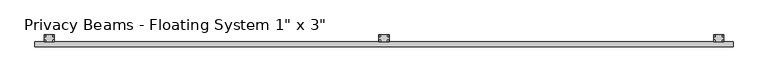
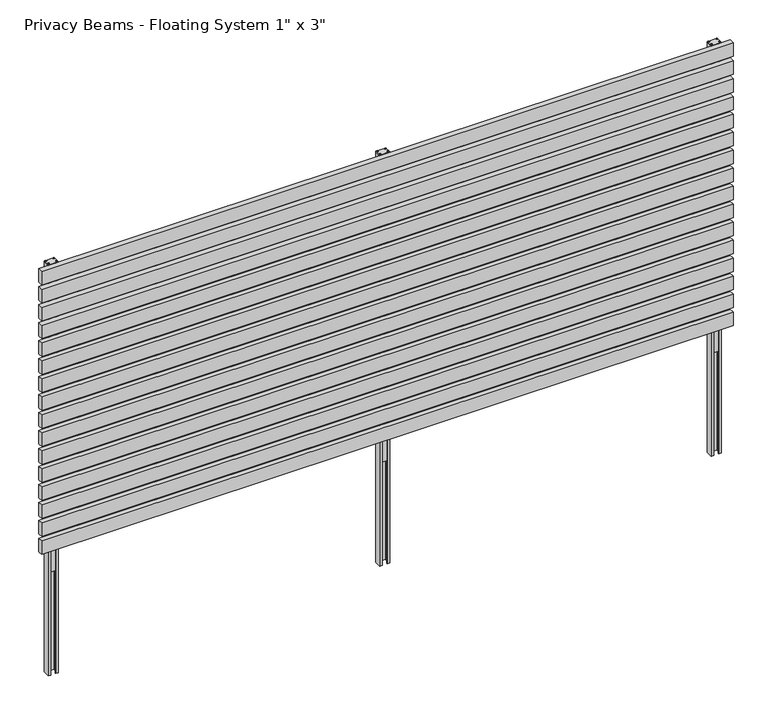
"""IFC4 building model written with IfcOpenShell, lengths in millimetres: railing geometry."""

import ifcopenshell
import ifcopenshell.guid

model = None  # the IFC model being written
_history = None  # IfcOwnerHistory: only IFC2X3 demands one
_inside = {}  # id of a spatial element -> (the spatial element, [elements in it])
_under = {}  # id of a project, library or spatial element -> (it, [spatial elements below it])
_declared = {}  # id of a project -> (the project, [libraries it declares])
_typed = {}  # id of a type object -> (the type object, [elements of that type])
_made_of = {}  # id of a material, layer set ... -> (it, [elements and type objects made of it])


def new_model(schema):
    """Start an empty IFC model of exactly this schema.

    Asked for "IFC4X3", IfcOpenShell would pick the latest addendum, in which some entities
    have other attributes; the version numbers below select the first issue.
    IFC2X3 requires an IfcOwnerHistory on every rooted entity: one is made here for all.
    """
    global model, _history
    if schema == "IFC4X3":
        model = ifcopenshell.file(schema_version=(4, 3, 0, 0))
    else:
        model = ifcopenshell.file(schema=schema)
    _inside.clear()
    _under.clear()
    _declared.clear()
    _typed.clear()
    _made_of.clear()
    _history = None
    if model.schema == "IFC2X3":
        org = make("IfcOrganization", Name="unknown")
        user = make(
            "IfcPersonAndOrganization",
            ThePerson=make("IfcPerson", FamilyName="unknown"),
            TheOrganization=org,
        )
        app = make(
            "IfcApplication",
            ApplicationDeveloper=org,
            Version="unknown",
            ApplicationFullName="unknown",
            ApplicationIdentifier="unknown",
        )
        _history = make(
            "IfcOwnerHistory",
            OwningUser=user,
            OwningApplication=app,
            ChangeAction="ADDED",
            CreationDate=0,
        )
    return model


def make(cls, **values):
    """One entity of the class cls with the attributes given. An attribute that is None is left unset."""
    return model.create_entity(
        cls, **{name: value for name, value in values.items() if value is not None}
    )


def rooted(cls, **values):
    """An entity with a GlobalId (a new one), such as an element, a storey or a relation."""
    return make(cls, GlobalId=ifcopenshell.guid.new(), OwnerHistory=_history, **values)


def si_unit(unit_type, name, prefix=None):
    """IfcSIUnit, for example si_unit("LENGTHUNIT", "METRE", prefix="MILLI")."""
    return make("IfcSIUnit", UnitType=unit_type, Prefix=prefix, Name=name)


def assignment(units):
    """IfcUnitAssignment: the units of a project."""
    return None if units is None else make("IfcUnitAssignment", Units=units)


def point(xyz):
    """IfcCartesianPoint."""
    return None if xyz is None else make("IfcCartesianPoint", Coordinates=xyz)


def direction(xyz):
    """IfcDirection."""
    return None if xyz is None else make("IfcDirection", DirectionRatios=xyz)


def frame(location, z_axis=None, x_axis=None):
    """IfcAxis2Placement3D, a coordinate frame: its origin and axes. An axis left out is left unset."""
    return make(
        "IfcAxis2Placement3D",
        Location=point(location),
        Axis=direction(z_axis),
        RefDirection=direction(x_axis),
    )


def frame_2d(location, x_axis=None):
    """IfcAxis2Placement2D, a coordinate frame in the plane: its origin and x axis."""
    return make(
        "IfcAxis2Placement2D", Location=point(location), RefDirection=direction(x_axis)
    )


def origin():
    """The frame at (0, 0, 0) with its axes left unset."""
    return frame((0.0, 0.0, 0.0))


def origin_with_axes():
    """The frame at (0, 0, 0) with the z axis (0, 0, 1) and the x axis (1, 0, 0) written out."""
    return frame((0.0, 0.0, 0.0), z_axis=(0.0, 0.0, 1.0), x_axis=(1.0, 0.0, 0.0))


def place(relative_to, where):
    """IfcLocalPlacement: puts the frame where relative to a parent placement (None: the world)."""
    return make(
        "IfcLocalPlacement", PlacementRelTo=relative_to, RelativePlacement=where
    )


def context(
    kind, dimensions, precision=None, world=None, true_north=None, identifier=None
):
    """IfcGeometricRepresentationContext, for example the 3D "Model" context."""
    return make(
        "IfcGeometricRepresentationContext",
        ContextIdentifier=identifier,
        ContextType=kind,
        CoordinateSpaceDimension=dimensions,
        Precision=precision,
        WorldCoordinateSystem=world,
        TrueNorth=true_north,
    )


def project(units=None, contexts=None):
    """IfcProject with its units and contexts."""
    return rooted(
        "IfcProject",
        Name="project",
        RepresentationContexts=contexts,
        UnitsInContext=assignment(units),
    )


def spatial(cls, under=None, at=None, **own):
    """A site, building, storey or space (cls), placed at a placement, below another one or the project."""
    s = rooted(cls, ObjectPlacement=at, **own)
    if under is not None:
        _under.setdefault(under.id(), (under, []))[1].append(s)
    return s


def polyline(points):
    """IfcPolyline through the points."""
    return make("IfcPolyline", Points=[point(p) for p in points])


def circle_curve(where, radius):
    """IfcCircle in the frame where."""
    return make("IfcCircle", Position=where, Radius=radius)


def trimmed(basis, trim1, trim2, sense, master):
    """IfcTrimmedCurve: the piece of a basis curve between two trims."""
    return make(
        "IfcTrimmedCurve",
        BasisCurve=basis,
        Trim1=trim1,
        Trim2=trim2,
        SenseAgreement=sense,
        MasterRepresentation=master,
    )


def segment(curve, same_sense, transition):
    """IfcCompositeCurveSegment."""
    return make(
        "IfcCompositeCurveSegment",
        Transition=transition,
        SameSense=same_sense,
        ParentCurve=curve,
    )


def composite_curve(segments, self_intersect=None):
    """IfcCompositeCurve: segments joined end to end."""
    return make("IfcCompositeCurve", Segments=segments, SelfIntersect=self_intersect)


def outline(outer, holes=None, kind="AREA"):
    """IfcArbitraryClosedProfileDef: a profile drawn as a closed curve; with holes, ...WithVoids."""
    if holes is None:
        return make("IfcArbitraryClosedProfileDef", ProfileType=kind, OuterCurve=outer)
    return make(
        "IfcArbitraryProfileDefWithVoids",
        ProfileType=kind,
        OuterCurve=outer,
        InnerCurves=holes,
    )


def extrude(swept, where, along, depth):
    """IfcExtrudedAreaSolid: the profile swept, set in the frame where, extruded along a direction by depth."""
    return make(
        "IfcExtrudedAreaSolid",
        SweptArea=swept,
        Position=where,
        ExtrudedDirection=direction(along),
        Depth=depth,
    )


def shape(context_of_items, identifier, shape_type, items):
    """IfcShapeRepresentation: the items that make up one representation, for example the "Body"."""
    return make(
        "IfcShapeRepresentation",
        ContextOfItems=context_of_items,
        RepresentationIdentifier=identifier,
        RepresentationType=shape_type,
        Items=items,
    )


def source(mapping_origin, context_of_items, identifier, shape_type, items):
    """IfcRepresentationMap: a shape defined once, which mapped items show again and again."""
    return make(
        "IfcRepresentationMap",
        MappingOrigin=mapping_origin,
        MappedRepresentation=shape(context_of_items, identifier, shape_type, items),
    )


def transform(
    local_origin,
    x_axis=None,
    y_axis=None,
    z_axis=None,
    scale=None,
    scale2=None,
    scale3=None,
    uniform=True,
):
    """IfcCartesianTransformationOperator3D, or its non-uniform kind. x_axis, y_axis, z_axis: its Axis1, 2, 3."""
    if uniform:
        return make(
            "IfcCartesianTransformationOperator3D",
            Axis1=direction(x_axis),
            Axis2=direction(y_axis),
            LocalOrigin=point(local_origin),
            Scale=scale,
            Axis3=direction(z_axis),
        )
    return make(
        "IfcCartesianTransformationOperator3DnonUniform",
        Axis1=direction(x_axis),
        Axis2=direction(y_axis),
        LocalOrigin=point(local_origin),
        Scale=scale,
        Axis3=direction(z_axis),
        Scale2=scale2,
        Scale3=scale3,
    )


def mapped(mapping_source, mapping_target):
    """IfcMappedItem: shows the shape of a source again, moved by a transform."""
    return make(
        "IfcMappedItem", MappingSource=mapping_source, MappingTarget=mapping_target
    )


def made_of(thing, what):
    """Note that an element or type object is made of a material, layer set ...; save() writes the relation."""
    if what is not None:
        _made_of.setdefault(what.id(), (what, []))[1].append(thing)
    return thing


def element(
    cls,
    number,
    at=None,
    inside=None,
    cuts=None,
    type_object=None,
    material=None,
    context=None,
    identifier="Body",
    shape_type=None,
    held_by="IfcProductDefinitionShape",
    body=None,
    shapes=None,
    **own,
):
    """One element of the class cls, such as IfcWall. Its Tag is "e" and its number.

    at: its placement. inside: the storey or other place that contains it. cuts: it is an
    opening in that element (IfcRelVoidsElement). A single representation is given by context,
    identifier, shape_type and body (its items); several are given by shapes. held_by: the class
    of the entity that holds the representations. save() writes the other relations.
    """
    e = rooted(cls, Tag="e%d" % number, ObjectPlacement=at, **own)
    if body is not None:
        shapes = [shape(context, identifier, shape_type, body)]
    if shapes is not None:
        e.Representation = make(held_by, Representations=shapes)
    if inside is not None:
        _inside.setdefault(inside.id(), (inside, []))[1].append(e)
    if cuts is not None:
        rooted(
            "IfcRelVoidsElement", RelatingBuildingElement=cuts, RelatedOpeningElement=e
        )
    if type_object is not None:
        _typed.setdefault(type_object.id(), (type_object, []))[1].append(e)
    return made_of(e, material)


def aggregate(whole, parts):
    """IfcRelAggregates: a whole, such as a stair, and the parts it consists of."""
    return rooted("IfcRelAggregates", RelatingObject=whole, RelatedObjects=parts)


def save(model, path):
    """Write the relations noted so far, then the file.

    IfcRelAggregates (storeys below a building ...), IfcRelContainedInSpatialStructure (elements
    in a storey), IfcRelDefinesByType, IfcRelAssociatesMaterial and IfcRelDeclares: one each for
    every whole, place, type object, material and project.
    """
    for whole, parts in _under.values():
        aggregate(whole, parts)
    for where, things in _inside.values():
        rooted(
            "IfcRelContainedInSpatialStructure",
            RelatedElements=things,
            RelatingStructure=where,
        )
    for kind, things in _typed.values():
        rooted("IfcRelDefinesByType", RelatedObjects=things, RelatingType=kind)
    for what, things in _made_of.values():
        rooted("IfcRelAssociatesMaterial", RelatedObjects=things, RelatingMaterial=what)
    for by, libraries in _declared.values():
        rooted("IfcRelDeclares", RelatingContext=by, RelatedDefinitions=libraries)
    model.write(path)


def railing_1423bb26(model_context):
    return source(origin(), model_context, "Body", "SweptSolid", [
        extrude(outline(polyline([(8606.3719409, 901.7), (8606.3719409, 927.1), (12302.0719409, 927.1), (12302.0719409, 901.7), (8606.3719409, 901.7)])), frame((0.0, 0.0, 1663.7), z_axis=(0.0, 0.0, 1.0), x_axis=(1.0, 0.0, 0.0)), (0.0, 0.0, 1.0), 76.2),
        extrude(outline(polyline([(8606.3719409, 901.7), (8606.3719409, 927.1), (12302.0719409, 927.1), (12302.0719409, 901.7), (8606.3719409, 901.7)])), frame((0.0, 0.0, 1562.1), z_axis=(0.0, 0.0, 1.0), x_axis=(1.0, 0.0, 0.0)), (0.0, 0.0, 1.0), 76.2),
        extrude(outline(polyline([(8606.3719409, 901.7), (8606.3719409, 927.1), (12302.0719409, 927.1), (12302.0719409, 901.7), (8606.3719409, 901.7)])), frame((0.0, 0.0, 1460.5), z_axis=(0.0, 0.0, 1.0), x_axis=(1.0, 0.0, 0.0)), (0.0, 0.0, 1.0), 76.2),
        extrude(outline(polyline([(8606.3719409, 901.7), (8606.3719409, 927.1), (12302.0719409, 927.1), (12302.0719409, 901.7), (8606.3719409, 901.7)])), frame((0.0, 0.0, 1358.9), z_axis=(0.0, 0.0, 1.0), x_axis=(1.0, 0.0, 0.0)), (0.0, 0.0, 1.0), 76.2),
        extrude(outline(polyline([(8606.3719409, 901.7), (8606.3719409, 927.1), (12302.0719409, 927.1), (12302.0719409, 901.7), (8606.3719409, 901.7)])), frame((0.0, 0.0, 1257.3), z_axis=(0.0, 0.0, 1.0), x_axis=(1.0, 0.0, 0.0)), (0.0, 0.0, 1.0), 76.2),
        extrude(outline(polyline([(8606.3719409, 901.7), (8606.3719409, 927.1), (12302.0719409, 927.1), (12302.0719409, 901.7), (8606.3719409, 901.7)])), frame((0.0, 0.0, 1155.7), z_axis=(0.0, 0.0, 1.0), x_axis=(1.0, 0.0, 0.0)), (0.0, 0.0, 1.0), 76.2),
        extrude(outline(polyline([(8606.3719409, 901.7), (8606.3719409, 927.1), (12302.0719409, 927.1), (12302.0719409, 901.7), (8606.3719409, 901.7)])), frame((0.0, 0.0, 1054.1), z_axis=(0.0, 0.0, 1.0), x_axis=(1.0, 0.0, 0.0)), (0.0, 0.0, 1.0), 76.2),
        extrude(outline(polyline([(8606.3719409, 901.7), (8606.3719409, 927.1), (12302.0719409, 927.1), (12302.0719409, 901.7), (8606.3719409, 901.7)])), frame((0.0, 0.0, 952.5), z_axis=(0.0, 0.0, 1.0), x_axis=(1.0, 0.0, 0.0)), (0.0, 0.0, 1.0), 76.2),
        extrude(outline(polyline([(8606.3719409, 901.7), (8606.3719409, 927.1), (12302.0719409, 927.1), (12302.0719409, 901.7), (8606.3719409, 901.7)])), frame((0.0, 0.0, 850.9), z_axis=(0.0, 0.0, 1.0), x_axis=(1.0, 0.0, 0.0)), (0.0, 0.0, 1.0), 76.2),
        extrude(outline(polyline([(8606.3719409, 901.7), (8606.3719409, 927.1), (12302.0719409, 927.1), (12302.0719409, 901.7), (8606.3719409, 901.7)])), frame((0.0, 0.0, 749.3), z_axis=(0.0, 0.0, 1.0), x_axis=(1.0, 0.0, 0.0)), (0.0, 0.0, 1.0), 76.2),
        extrude(outline(polyline([(8606.3719409, 901.7), (8606.3719409, 927.1), (12302.0719409, 927.1), (12302.0719409, 901.7), (8606.3719409, 901.7)])), frame((0.0, 0.0, 647.7), z_axis=(0.0, 0.0, 1.0), x_axis=(1.0, 0.0, 0.0)), (0.0, 0.0, 1.0), 76.2),
        extrude(outline(polyline([(8606.3719409, 901.7), (8606.3719409, 927.1), (12302.0719409, 927.1), (12302.0719409, 901.7), (8606.3719409, 901.7)])), frame((0.0, 0.0, 546.1), z_axis=(0.0, 0.0, 1.0), x_axis=(1.0, 0.0, 0.0)), (0.0, 0.0, 1.0), 76.2),
        extrude(outline(polyline([(8606.3719409, 901.7), (8606.3719409, 927.1), (12302.0719409, 927.1), (12302.0719409, 901.7), (8606.3719409, 901.7)])), frame((0.0, 0.0, 444.5), z_axis=(0.0, 0.0, 1.0), x_axis=(1.0, 0.0, 0.0)), (0.0, 0.0, 1.0), 76.2),
        extrude(outline(polyline([(8606.3719409, 901.7), (8606.3719409, 927.1), (12302.0719409, 927.1), (12302.0719409, 901.7), (8606.3719409, 901.7)])), frame((0.0, 0.0, 342.9), z_axis=(0.0, 0.0, 1.0), x_axis=(1.0, 0.0, 0.0)), (0.0, 0.0, 1.0), 76.2),
        extrude(outline(polyline([(8606.3719409, 901.7), (8606.3719409, 927.1), (12302.0719409, 927.1), (12302.0719409, 901.7), (8606.3719409, 901.7)])), frame((0.0, 0.0, 241.3), z_axis=(0.0, 0.0, 1.0), x_axis=(1.0, 0.0, 0.0)), (0.0, 0.0, 1.0), 76.2),
        extrude(outline(polyline([(8606.3719409, 901.7), (8606.3719409, 927.1), (12302.0719409, 927.1), (12302.0719409, 901.7), (8606.3719409, 901.7)])), frame((0.0, 0.0, 139.7), z_axis=(0.0, 0.0, 1.0), x_axis=(1.0, 0.0, 0.0)), (0.0, 0.0, 1.0), 76.2),
        extrude(outline(polyline([(10438.3469409, 930.27525), (10438.3469409, 934.33925), (10470.0969409, 934.33925), (10470.0969409, 930.27525), (10438.3469409, 930.27525)])), origin_with_axes(), (0.0, 0.0, 1.0), 1739.9),
        extrude(outline(polyline([(10427.2344409, 963.61275), (10481.2094409, 963.61275), (10481.2094409, 927.09975), (10427.2344409, 927.09975), (10427.2344409, 963.61275)])), frame((0.0, 0.0, 1739.9), z_axis=(0.0, 0.0, 1.0), x_axis=(1.0, 0.0, 0.0)), (0.0, 0.0, 1.0), 4.0792363),
        extrude(outline(polyline([(10427.2344409, 963.61275), (10481.2094409, 963.61275), (10481.2094409, 927.09975), (10467.7093409, 927.09975), (10467.7093409, 930.27525), (10478.0344409, 930.27525), (10478.0344409, 960.43775), (10430.4094409, 960.43775), (10430.4094409, 930.27525), (10440.7345409, 930.27525), (10440.7345409, 927.09975), (10427.2344409, 927.09975), (10427.2344409, 963.61275)])), frame((0.0, 0.0, -579.9666667), z_axis=(0.0, 0.0, 1.0), x_axis=(1.0, 0.0, 0.0)), (0.0, 0.0, 1.0), 2319.8666667),
        extrude(outline(composite_curve([segment(trimmed(circle_curve(frame_2d((10432.3779409, 957.94225)), 4.2243107), [point((10432.3779409, 962.1665607))], [point((10432.3779409, 953.7179393))], False, "CARTESIAN"), True, "CONTINUOUS"), segment(trimmed(circle_curve(frame_2d((10432.3779409, 957.94225)), 4.2243107), [point((10432.3779409, 953.7179393))], [point((10432.3779409, 962.1665607))], False, "CARTESIAN"), True, "CONTINUOUS")], self_intersect=False)), frame((0.0, 0.0, 1743.9792363), z_axis=(0.0, 0.0, 1.0), x_axis=(1.0, 0.0, 0.0)), (0.0, 0.0, 1.0), 1.6499867),
        extrude(outline(composite_curve([segment(trimmed(circle_curve(frame_2d((10432.3779409, 932.77025)), 4.2243107), [point((10432.3779409, 936.9945607))], [point((10432.3779409, 928.5459393))], False, "CARTESIAN"), True, "CONTINUOUS"), segment(trimmed(circle_curve(frame_2d((10432.3779409, 932.77025)), 4.2243107), [point((10432.3779409, 928.5459393))], [point((10432.3779409, 936.9945607))], False, "CARTESIAN"), True, "CONTINUOUS")], self_intersect=False)), frame((0.0, 0.0, 1743.9792363), z_axis=(0.0, 0.0, 1.0), x_axis=(1.0, 0.0, 0.0)), (0.0, 0.0, 1.0), 1.6499867),
        extrude(outline(composite_curve([segment(trimmed(circle_curve(frame_2d((10476.0659409, 932.77025)), 4.2243107), [point((10476.0659409, 936.9945607))], [point((10476.0659409, 928.5459393))], False, "CARTESIAN"), True, "CONTINUOUS"), segment(trimmed(circle_curve(frame_2d((10476.0659409, 932.77025)), 4.2243107), [point((10476.0659409, 928.5459393))], [point((10476.0659409, 936.9945607))], False, "CARTESIAN"), True, "CONTINUOUS")], self_intersect=False)), frame((0.0, 0.0, 1743.9792363), z_axis=(0.0, 0.0, 1.0), x_axis=(1.0, 0.0, 0.0)), (0.0, 0.0, 1.0), 1.6499867),
        extrude(outline(composite_curve([segment(trimmed(circle_curve(frame_2d((10476.0659409, 957.94225)), 4.2243107), [point((10476.0659409, 962.1665607))], [point((10476.0659409, 953.7179393))], False, "CARTESIAN"), True, "CONTINUOUS"), segment(trimmed(circle_curve(frame_2d((10476.0659409, 957.94225)), 4.2243107), [point((10476.0659409, 953.7179393))], [point((10476.0659409, 962.1665607))], False, "CARTESIAN"), True, "CONTINUOUS")], self_intersect=False)), frame((0.0, 0.0, 1743.9792363), z_axis=(0.0, 0.0, 1.0), x_axis=(1.0, 0.0, 0.0)), (0.0, 0.0, 1.0), 1.6499867),
        extrude(outline(polyline([(12209.9969409, 930.27525), (12209.9969409, 934.33925), (12241.7469409, 934.33925), (12241.7469409, 930.27525), (12209.9969409, 930.27525)])), origin_with_axes(), (0.0, 0.0, 1.0), 1739.9),
        extrude(outline(polyline([(12198.8844409, 963.61275), (12252.8594409, 963.61275), (12252.8594409, 927.09975), (12198.8844409, 927.09975), (12198.8844409, 963.61275)])), frame((0.0, 0.0, 1739.9), z_axis=(0.0, 0.0, 1.0), x_axis=(1.0, 0.0, 0.0)), (0.0, 0.0, 1.0), 4.0792363),
        extrude(outline(polyline([(12198.8844409, 963.61275), (12252.8594409, 963.61275), (12252.8594409, 927.09975), (12239.3593409, 927.09975), (12239.3593409, 930.27525), (12249.6844409, 930.27525), (12249.6844409, 960.43775), (12202.0594409, 960.43775), (12202.0594409, 930.27525), (12212.3845409, 930.27525), (12212.3845409, 927.09975), (12198.8844409, 927.09975), (12198.8844409, 963.61275)])), frame((0.0, 0.0, -579.9666667), z_axis=(0.0, 0.0, 1.0), x_axis=(1.0, 0.0, 0.0)), (0.0, 0.0, 1.0), 2319.8666667),
        extrude(outline(composite_curve([segment(trimmed(circle_curve(frame_2d((12204.0279409, 957.94225)), 4.2243107), [point((12204.0279409, 962.1665607))], [point((12204.0279409, 953.7179393))], False, "CARTESIAN"), True, "CONTINUOUS"), segment(trimmed(circle_curve(frame_2d((12204.0279409, 957.94225)), 4.2243107), [point((12204.0279409, 953.7179393))], [point((12204.0279409, 962.1665607))], False, "CARTESIAN"), True, "CONTINUOUS")], self_intersect=False)), frame((0.0, 0.0, 1743.9792363), z_axis=(0.0, 0.0, 1.0), x_axis=(1.0, 0.0, 0.0)), (0.0, 0.0, 1.0), 1.6499867),
        extrude(outline(composite_curve([segment(trimmed(circle_curve(frame_2d((12204.0279409, 932.77025)), 4.2243107), [point((12204.0279409, 936.9945607))], [point((12204.0279409, 928.5459393))], False, "CARTESIAN"), True, "CONTINUOUS"), segment(trimmed(circle_curve(frame_2d((12204.0279409, 932.77025)), 4.2243107), [point((12204.0279409, 928.5459393))], [point((12204.0279409, 936.9945607))], False, "CARTESIAN"), True, "CONTINUOUS")], self_intersect=False)), frame((0.0, 0.0, 1743.9792363), z_axis=(0.0, 0.0, 1.0), x_axis=(1.0, 0.0, 0.0)), (0.0, 0.0, 1.0), 1.6499867),
        extrude(outline(composite_curve([segment(trimmed(circle_curve(frame_2d((12247.7159409, 932.77025)), 4.2243107), [point((12247.7159409, 936.9945607))], [point((12247.7159409, 928.5459393))], False, "CARTESIAN"), True, "CONTINUOUS"), segment(trimmed(circle_curve(frame_2d((12247.7159409, 932.77025)), 4.2243107), [point((12247.7159409, 928.5459393))], [point((12247.7159409, 936.9945607))], False, "CARTESIAN"), True, "CONTINUOUS")], self_intersect=False)), frame((0.0, 0.0, 1743.9792363), z_axis=(0.0, 0.0, 1.0), x_axis=(1.0, 0.0, 0.0)), (0.0, 0.0, 1.0), 1.6499867),
        extrude(outline(composite_curve([segment(trimmed(circle_curve(frame_2d((12247.7159409, 957.94225)), 4.2243107), [point((12247.7159409, 962.1665607))], [point((12247.7159409, 953.7179393))], False, "CARTESIAN"), True, "CONTINUOUS"), segment(trimmed(circle_curve(frame_2d((12247.7159409, 957.94225)), 4.2243107), [point((12247.7159409, 953.7179393))], [point((12247.7159409, 962.1665607))], False, "CARTESIAN"), True, "CONTINUOUS")], self_intersect=False)), frame((0.0, 0.0, 1743.9792363), z_axis=(0.0, 0.0, 1.0), x_axis=(1.0, 0.0, 0.0)), (0.0, 0.0, 1.0), 1.6499867),
        extrude(outline(polyline([(8666.6969409, 930.27525), (8666.6969409, 934.33925), (8698.4469409, 934.33925), (8698.4469409, 930.27525), (8666.6969409, 930.27525)])), origin_with_axes(), (0.0, 0.0, 1.0), 1739.9),
        extrude(outline(polyline([(8655.5844409, 963.61275), (8709.5594409, 963.61275), (8709.5594409, 927.09975), (8655.5844409, 927.09975), (8655.5844409, 963.61275)])), frame((0.0, 0.0, 1739.9), z_axis=(0.0, 0.0, 1.0), x_axis=(1.0, 0.0, 0.0)), (0.0, 0.0, 1.0), 4.0792363),
        extrude(outline(polyline([(8655.5844409, 963.61275), (8709.5594409, 963.61275), (8709.5594409, 927.09975), (8696.0593409, 927.09975), (8696.0593409, 930.27525), (8706.3844409, 930.27525), (8706.3844409, 960.43775), (8658.7594409, 960.43775), (8658.7594409, 930.27525), (8669.0845409, 930.27525), (8669.0845409, 927.09975), (8655.5844409, 927.09975), (8655.5844409, 963.61275)])), frame((0.0, 0.0, -579.9666667), z_axis=(0.0, 0.0, 1.0), x_axis=(1.0, 0.0, 0.0)), (0.0, 0.0, 1.0), 2319.8666667),
        extrude(outline(composite_curve([segment(trimmed(circle_curve(frame_2d((8660.7279409, 957.94225)), 4.2243107), [point((8660.7279409, 962.1665607))], [point((8660.7279409, 953.7179393))], False, "CARTESIAN"), True, "CONTINUOUS"), segment(trimmed(circle_curve(frame_2d((8660.7279409, 957.94225)), 4.2243107), [point((8660.7279409, 953.7179393))], [point((8660.7279409, 962.1665607))], False, "CARTESIAN"), True, "CONTINUOUS")], self_intersect=False)), frame((0.0, 0.0, 1743.9792363), z_axis=(0.0, 0.0, 1.0), x_axis=(1.0, 0.0, 0.0)), (0.0, 0.0, 1.0), 1.6499867),
        extrude(outline(composite_curve([segment(trimmed(circle_curve(frame_2d((8660.7279409, 932.77025)), 4.2243107), [point((8660.7279409, 936.9945607))], [point((8660.7279409, 928.5459393))], False, "CARTESIAN"), True, "CONTINUOUS"), segment(trimmed(circle_curve(frame_2d((8660.7279409, 932.77025)), 4.2243107), [point((8660.7279409, 928.5459393))], [point((8660.7279409, 936.9945607))], False, "CARTESIAN"), True, "CONTINUOUS")], self_intersect=False)), frame((0.0, 0.0, 1743.9792363), z_axis=(0.0, 0.0, 1.0), x_axis=(1.0, 0.0, 0.0)), (0.0, 0.0, 1.0), 1.6499867),
        extrude(outline(composite_curve([segment(trimmed(circle_curve(frame_2d((8704.4159409, 932.77025)), 4.2243107), [point((8704.4159409, 936.9945607))], [point((8704.4159409, 928.5459393))], False, "CARTESIAN"), True, "CONTINUOUS"), segment(trimmed(circle_curve(frame_2d((8704.4159409, 932.77025)), 4.2243107), [point((8704.4159409, 928.5459393))], [point((8704.4159409, 936.9945607))], False, "CARTESIAN"), True, "CONTINUOUS")], self_intersect=False)), frame((0.0, 0.0, 1743.9792363), z_axis=(0.0, 0.0, 1.0), x_axis=(1.0, 0.0, 0.0)), (0.0, 0.0, 1.0), 1.6499867),
        extrude(outline(composite_curve([segment(trimmed(circle_curve(frame_2d((8704.4159409, 957.94225)), 4.2243107), [point((8704.4159409, 962.1665607))], [point((8704.4159409, 953.7179393))], False, "CARTESIAN"), True, "CONTINUOUS"), segment(trimmed(circle_curve(frame_2d((8704.4159409, 957.94225)), 4.2243107), [point((8704.4159409, 953.7179393))], [point((8704.4159409, 962.1665607))], False, "CARTESIAN"), True, "CONTINUOUS")], self_intersect=False)), frame((0.0, 0.0, 1743.9792363), z_axis=(0.0, 0.0, 1.0), x_axis=(1.0, 0.0, 0.0)), (0.0, 0.0, 1.0), 1.6499867),
    ])


if __name__ == "__main__":
    model = new_model("IFC4")
    model_context = context("Model", 3, world=origin())
    ifc_project = project(units=[si_unit("LENGTHUNIT", "METRE", prefix="MILLI")], contexts=[model_context])
    site = spatial("IfcSite", under=ifc_project)
    building = spatial("IfcBuilding", under=site)
    placement = place(None, origin())
    railing_shape = railing_1423bb26(model_context)
    element("IfcRailing", 1, ObjectType="Privacy Beams - Floating System 1\" x 3\"", at=placement, inside=building, context=model_context, shape_type="MappedRepresentation", body=[
        mapped(railing_shape, transform((0.0, 0.0, 0.0), x_axis=(1.0, 0.0, 0.0), y_axis=(0.0, 1.0, 0.0), z_axis=(0.0, 0.0, 1.0))),
    ])
    save(model, "model.ifc")
